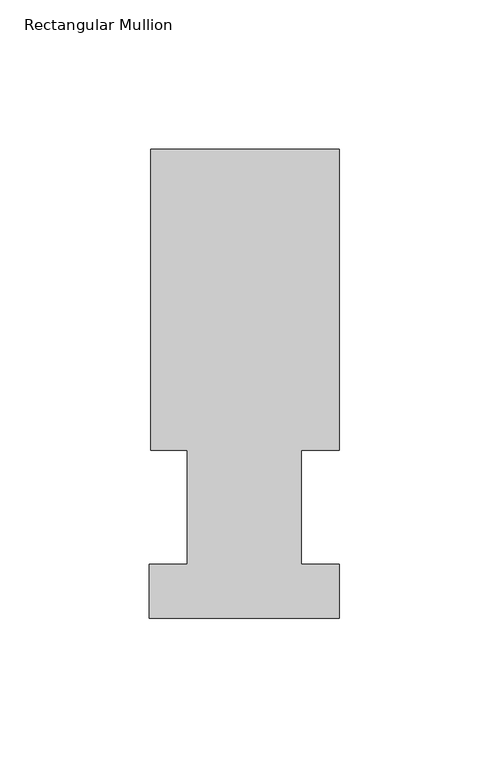
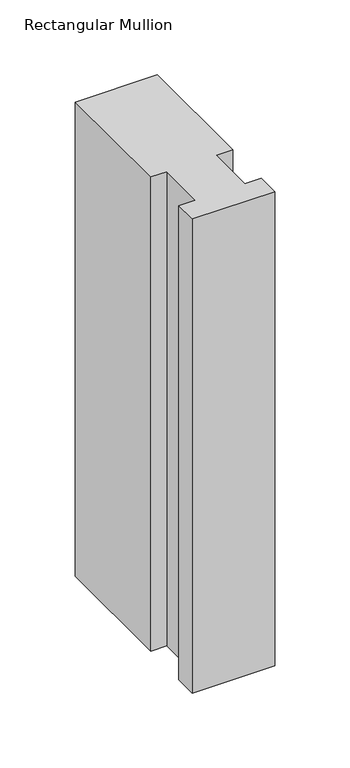
"""IFC4 building model written with IfcOpenShell, lengths in millimetres: member geometry, Rectangular Mullion."""

from ifc_helpers import new_model, si_unit, frame, origin, place, context, project, spatial, polyline, outline, extrude, source, transform, mapped, element, save


def rectangular_mullion_7d7ffce0(model_context):
    return source(origin(), model_context, "Body", "SweptSolid", [
        extrude(outline(polyline([(-63.0936, 56.6539062), (-63.0936, 157.3395062), (0.0, 157.3395062), (0.0, 56.6539063), (-12.6746, 56.6539062), (-12.6746, 18.5539062), (0.0, 18.5539062), (0.0, 0.5199062), (-63.5, 0.5199062), (-63.5, 18.5539062), (-50.8, 18.5539062), (-50.8, 56.6539062), (-63.0936, 56.6539062)])), frame((0.0, 0.0, -386.2573929), z_axis=(0.0, 0.0, 1.0), x_axis=(1.0, 0.0, 0.0)), (0.0, 0.0, 1.0), 386.2573929),
    ])


if __name__ == "__main__":
    model = new_model("IFC4")
    model_context = context("Model", 3, world=origin())
    ifc_project = project(units=[si_unit("LENGTHUNIT", "METRE", prefix="MILLI")], contexts=[model_context])
    site = spatial("IfcSite", under=ifc_project)
    building = spatial("IfcBuilding", under=site)
    placement = place(None, origin())
    rectangular_mullion_shape = rectangular_mullion_7d7ffce0(model_context)
    element("IfcMember", 1, ObjectType="Rectangular Mullion", at=placement, inside=building, context=model_context, shape_type="MappedRepresentation", body=[
        mapped(rectangular_mullion_shape, transform((0.0, 0.0, 0.0), x_axis=(1.0, 0.0, 0.0), y_axis=(0.0, 1.0, 0.0), z_axis=(0.0, 0.0, 1.0))),
    ])
    save(model, "model.ifc")
